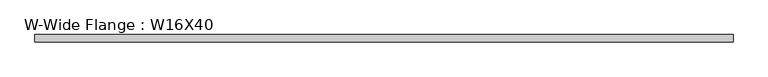
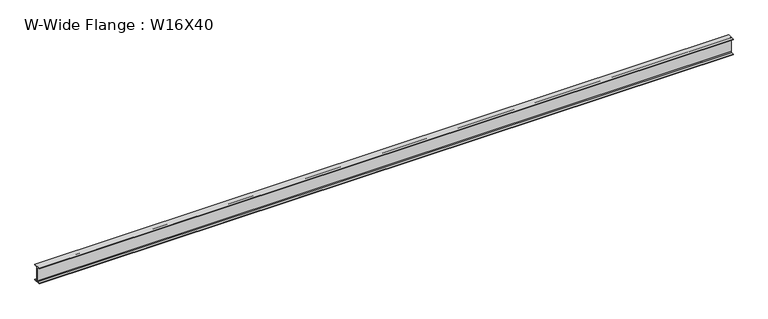
"""IFC4 building model written with IfcOpenShell, lengths in millimetres: beam geometry, W-Wide Flange : W16X40."""

from ifc_helpers import new_model, si_unit, point, frame, frame_2d, origin, place, context, project, spatial, polyline, circle_curve, trimmed, segment, composite_curve, outline, extrude, source, transform, mapped, element, save


def w_wide_flange_w16x40_0d87154e(model_context):
    return source(origin(), model_context, "Body", "SweptSolid", [
        extrude(outline(composite_curve([segment(polyline([(88.9, -190.4), (88.9, -203.2), (-88.9, -203.2), (-88.9, -190.4), (-21.25, -190.4)]), True, "CONTINUOUS"), segment(trimmed(circle_curve(frame_2d((-21.25, -173.0)), 17.4), [point((-21.25, -190.4))], [point((-3.85, -173.0))], True, "CARTESIAN"), True, "CONTINUOUS"), segment(polyline([(-3.85, -173.0), (-3.85, 173.0)]), True, "CONTINUOUS"), segment(trimmed(circle_curve(frame_2d((-21.25, 173.0)), 17.4), [point((-3.85, 173.0))], [point((-21.25, 190.4))], True, "CARTESIAN"), True, "CONTINUOUS"), segment(polyline([(-21.25, 190.4), (-88.9, 190.4), (-88.9, 203.2), (88.9, 203.2), (88.9, 190.4), (21.25, 190.4)]), True, "CONTINUOUS"), segment(trimmed(circle_curve(frame_2d((21.25, 173.0)), 17.4), [point((21.25, 190.4))], [point((3.85, 173.0))], True, "CARTESIAN"), True, "CONTINUOUS"), segment(polyline([(3.85, 173.0), (3.85, -173.0)]), True, "CONTINUOUS"), segment(trimmed(circle_curve(frame_2d((21.25, -173.0)), 17.4), [point((3.85, -173.0))], [point((21.25, -190.4))], True, "CARTESIAN"), True, "CONTINUOUS"), segment(polyline([(21.25, -190.4), (88.9, -190.4)]), True, "CONTINUOUS")], self_intersect=False)), frame((-4633.290587, 0.0, 0.0), z_axis=(1.0, 0.0, 0.0), x_axis=(0.0, 1.0, 0.0)), (0.0, 0.0, 1.0), 17158.3243566),
    ])


if __name__ == "__main__":
    model = new_model("IFC4")
    model_context = context("Model", 3, world=origin())
    ifc_project = project(units=[si_unit("LENGTHUNIT", "METRE", prefix="MILLI")], contexts=[model_context])
    site = spatial("IfcSite", under=ifc_project)
    building = spatial("IfcBuilding", under=site)
    placement = place(None, origin())
    w_wide_flange_w16x40_shape = w_wide_flange_w16x40_0d87154e(model_context)
    element("IfcBeam", 1, ObjectType="W-Wide Flange : W16X40", at=placement, inside=building, context=model_context, shape_type="MappedRepresentation", body=[
        mapped(w_wide_flange_w16x40_shape, transform((0.0, 0.0, 0.0), x_axis=(1.0, 0.0, 0.0), y_axis=(0.0, 1.0, 0.0), z_axis=(0.0, 0.0, 1.0))),
    ])
    save(model, "model.ifc")
